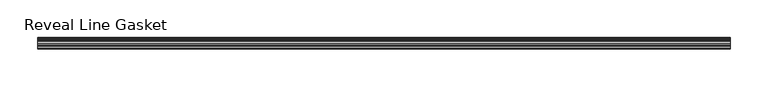
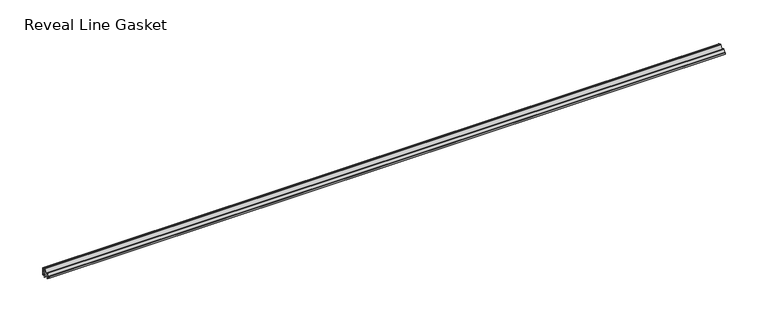
"""IFC4 building model written with IfcOpenShell, lengths in millimetres: furniture geometry, Reveal Line Gasket."""

from ifc_helpers import new_model, si_unit, point, frame, frame_2d, origin, place, context, project, spatial, polyline, circle_curve, trimmed, segment, composite_curve, outline, extrude, source, transform, mapped, element, save


def reveal_line_gasket_3d0bc3b6(model_context):
    return source(origin(), model_context, "Body", "SweptSolid", [
        extrude(outline(composite_curve([segment(polyline([(7.6326998, 1603.2), (7.6326998, 1597.2), (7.4091917, 1596.2445073), (6.8813059, 1595.3115316)]), True, "CONTINUOUS"), segment(trimmed(circle_curve(frame_2d((6.5243141, 1595.5135207)), 0.4101739), [point((6.8813059, 1595.3115316))], [point((6.1246704, 1595.6058653))], False, "CARTESIAN"), True, "CONTINUOUS"), segment(polyline([(6.1246704, 1595.6058653), (6.3626997, 1597.3020914), (6.3626997, 1599.3345473)]), True, "CONTINUOUS"), segment(trimmed(circle_curve(frame_2d((5.6959605, 1598.9180742)), 0.786124), [point((6.3626997, 1599.3345473))], [point((5.0926996, 1599.422125))], True, "CARTESIAN"), True, "CONTINUOUS"), segment(polyline([(5.0926996, 1599.422125), (0.7492996, 1599.422125), (3.7293824, 1594.2604705)]), True, "CONTINUOUS"), segment(trimmed(circle_curve(frame_2d((3.3132479, 1594.1950239)), 0.4212495), [point((3.7293824, 1594.2604705))], [point((3.0485022, 1593.8673642))], False, "CARTESIAN"), True, "CONTINUOUS"), segment(polyline([(3.0485022, 1593.8673642), (-0.5742594, 1599.422125), (-4.8262978, 1599.422125), (-3.1660374, 1596.5464703)]), True, "CONTINUOUS"), segment(trimmed(circle_curve(frame_2d((-3.5978728, 1596.4881145)), 0.4357605), [point((-3.1660374, 1596.5464703))], [point((-3.864328, 1596.1433119))], False, "CARTESIAN"), True, "CONTINUOUS"), segment(polyline([(-3.864328, 1596.1433119), (-6.1944059, 1599.422125), (-7.6326998, 1599.422125), (-7.6326998, 1600.977875), (-6.1944059, 1600.977875), (-3.864328, 1604.2566881)]), True, "CONTINUOUS"), segment(trimmed(circle_curve(frame_2d((-3.5978728, 1603.9118855)), 0.4357605), [point((-3.864328, 1604.2566881))], [point((-3.1660374, 1603.8535297))], False, "CARTESIAN"), True, "CONTINUOUS"), segment(polyline([(-3.1660374, 1603.8535297), (-4.8262978, 1600.977875), (-0.5742594, 1600.977875), (3.0485022, 1606.5326358)]), True, "CONTINUOUS"), segment(trimmed(circle_curve(frame_2d((3.3132479, 1606.2049761)), 0.4212495), [point((3.0485022, 1606.5326358))], [point((3.7293824, 1606.1395295))], False, "CARTESIAN"), True, "CONTINUOUS"), segment(polyline([(3.7293824, 1606.1395295), (0.7492996, 1600.977875), (5.0926996, 1600.977875)]), True, "CONTINUOUS"), segment(trimmed(circle_curve(frame_2d((5.6959605, 1601.4819258)), 0.786124), [point((5.0926996, 1600.977875))], [point((6.3626997, 1601.0654527))], True, "CARTESIAN"), True, "CONTINUOUS"), segment(polyline([(6.3626997, 1601.0654527), (6.3626997, 1603.0979086), (6.1246704, 1604.7941347)]), True, "CONTINUOUS"), segment(trimmed(circle_curve(frame_2d((6.5243141, 1604.8864793)), 0.4101739), [point((6.1246704, 1604.7941347))], [point((6.8813059, 1605.0884684))], False, "CARTESIAN"), True, "CONTINUOUS"), segment(polyline([(6.8813059, 1605.0884684), (7.4091917, 1604.1554927), (7.6326998, 1603.2)]), True, "CONTINUOUS")], self_intersect=False)), frame((-458.4954, 0.0, 0.0), z_axis=(1.0, 0.0, 0.0), x_axis=(0.0, 1.0, 0.0)), (0.0, 0.0, 1.0), 916.9908),
    ])


if __name__ == "__main__":
    model = new_model("IFC4")
    model_context = context("Model", 3, world=origin())
    ifc_project = project(units=[si_unit("LENGTHUNIT", "METRE", prefix="MILLI")], contexts=[model_context])
    site = spatial("IfcSite", under=ifc_project)
    building = spatial("IfcBuilding", under=site)
    placement = place(None, origin())
    reveal_line_gasket_shape = reveal_line_gasket_3d0bc3b6(model_context)
    element("IfcFurniture", 1, ObjectType="Reveal Line Gasket", at=placement, inside=building, context=model_context, shape_type="MappedRepresentation", body=[
        mapped(reveal_line_gasket_shape, transform((0.0, 0.0, 0.0), x_axis=(1.0, 0.0, 0.0), y_axis=(0.0, 1.0, 0.0), z_axis=(0.0, 0.0, 1.0))),
    ])
    save(model, "model.ifc")
